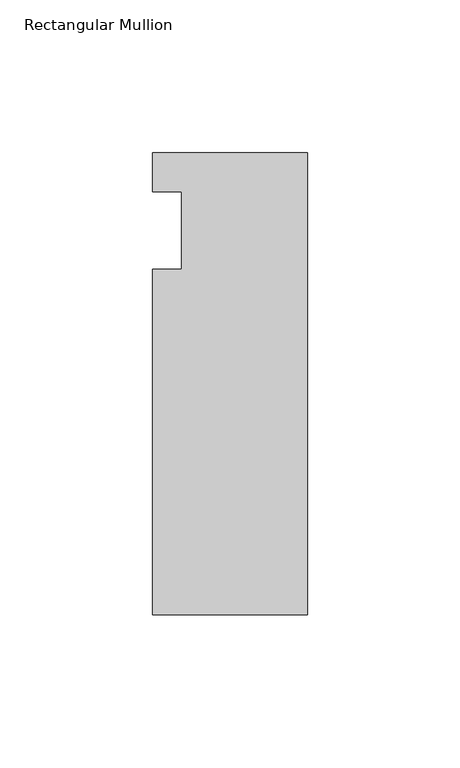
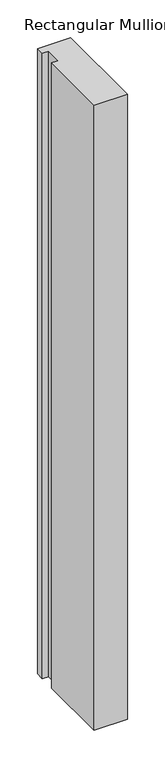
"""IFC4 building model written with IfcOpenShell, lengths in millimetres: member geometry, Rectangular Mullion."""

from ifc_helpers import new_model, si_unit, frame, origin, place, context, project, spatial, polyline, outline, extrude, source, transform, mapped, element, save


def rectangular_mullion_7880068e(model_context):
    return source(origin(), model_context, "Body", "SweptSolid", [
        extrude(outline(polyline([(-50.8, 25.5827379), (0.0, 25.5827379), (0.0, -125.8533), (-50.8, -125.8533), (-50.8, -12.7), (-41.275, -12.7), (-41.275, 12.7), (-50.8, 12.7), (-50.8, 25.5827379)])), frame((0.0, 0.0, -1016.0), z_axis=(0.0, 0.0, 1.0), x_axis=(1.0, 0.0, 0.0)), (0.0, 0.0, 1.0), 1016.0),
    ])


if __name__ == "__main__":
    model = new_model("IFC4")
    model_context = context("Model", 3, world=origin())
    ifc_project = project(units=[si_unit("LENGTHUNIT", "METRE", prefix="MILLI")], contexts=[model_context])
    site = spatial("IfcSite", under=ifc_project)
    building = spatial("IfcBuilding", under=site)
    placement = place(None, origin())
    rectangular_mullion_shape = rectangular_mullion_7880068e(model_context)
    element("IfcMember", 1, ObjectType="Rectangular Mullion", at=placement, inside=building, context=model_context, shape_type="MappedRepresentation", body=[
        mapped(rectangular_mullion_shape, transform((0.0, 0.0, 0.0), x_axis=(1.0, 0.0, 0.0), y_axis=(0.0, 1.0, 0.0), z_axis=(0.0, 0.0, 1.0))),
    ])
    save(model, "model.ifc")
